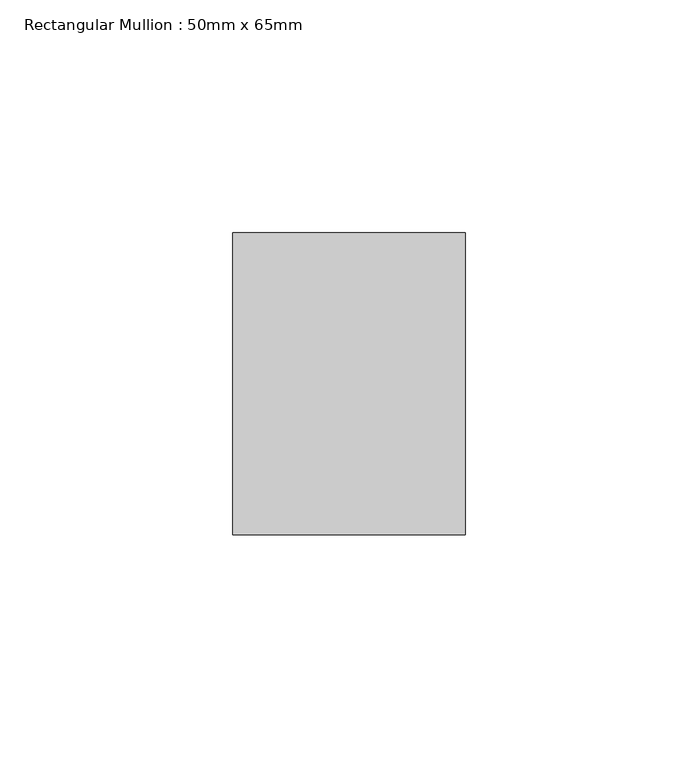
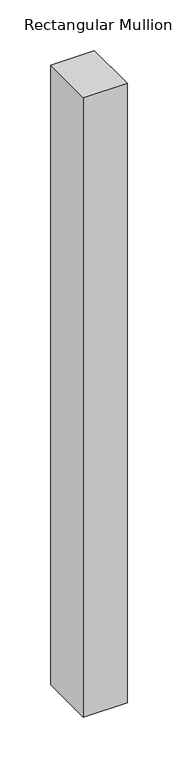
"""IFC4 building model written with IfcOpenShell, lengths in millimetres: member geometry, Rectangular Mullion : 50mm x 65mm."""

from ifc_helpers import new_model, si_unit, frame, origin, place, context, project, spatial, polyline, outline, extrude, source, transform, mapped, element, save


def rectangular_mullion_50mm_x_65mm_ee670a1d(model_context):
    return source(origin(), model_context, "Body", "SweptSolid", [
        extrude(outline(polyline([(25.0, 32.5), (25.0, -32.5), (-25.0, -32.5), (-25.0, 32.5), (25.0, 32.5)])), frame((0.0, 0.0, -748.3578681), z_axis=(0.0, 0.0, 1.0), x_axis=(1.0, 0.0, 0.0)), (0.0, 0.0, 1.0), 748.3578681),
    ])


if __name__ == "__main__":
    model = new_model("IFC4")
    model_context = context("Model", 3, world=origin())
    ifc_project = project(units=[si_unit("LENGTHUNIT", "METRE", prefix="MILLI")], contexts=[model_context])
    site = spatial("IfcSite", under=ifc_project)
    building = spatial("IfcBuilding", under=site)
    placement = place(None, origin())
    rectangular_mullion_50mm_x_65mm_shape = rectangular_mullion_50mm_x_65mm_ee670a1d(model_context)
    element("IfcMember", 1, ObjectType="Rectangular Mullion : 50mm x 65mm", at=placement, inside=building, context=model_context, shape_type="MappedRepresentation", body=[
        mapped(rectangular_mullion_50mm_x_65mm_shape, transform((0.0, 0.0, 0.0), x_axis=(1.0, 0.0, 0.0), y_axis=(0.0, 1.0, 0.0), z_axis=(0.0, 0.0, 1.0))),
    ])
    save(model, "model.ifc")
